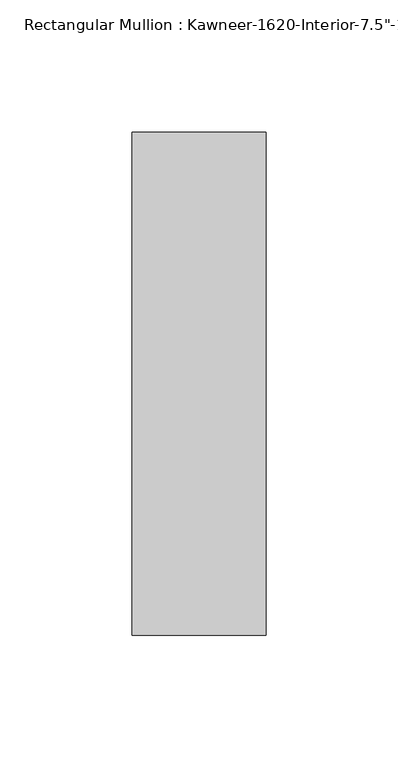
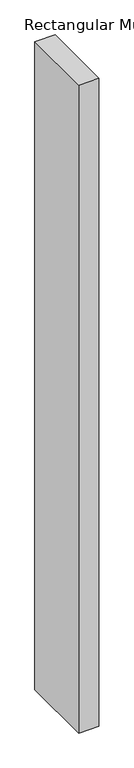
"""IFC4 building model written with IfcOpenShell, lengths in millimetres: member geometry."""

from ifc_helpers import new_model, si_unit, frame, origin, place, context, project, spatial, polyline, outline, extrude, source, transform, mapped, element, save


def member_162befd5(model_context):
    return source(origin(), model_context, "Body", "SweptSolid", [
        extrude(outline(polyline([(25.4, 152.4), (25.4, -38.1), (-25.4, -38.1), (-25.4, 152.4), (25.4, 152.4)])), frame((0.0, 0.0, -1720.85), z_axis=(0.0, 0.0, 1.0), x_axis=(1.0, 0.0, 0.0)), (0.0, 0.0, 1.0), 1720.85),
    ])


if __name__ == "__main__":
    model = new_model("IFC4")
    model_context = context("Model", 3, world=origin())
    ifc_project = project(units=[si_unit("LENGTHUNIT", "METRE", prefix="MILLI")], contexts=[model_context])
    site = spatial("IfcSite", under=ifc_project)
    building = spatial("IfcBuilding", under=site)
    placement = place(None, origin())
    member_shape = member_162befd5(model_context)
    element("IfcMember", 1, ObjectType="Rectangular Mullion : Kawneer-1620-Interior-7.5\"-1\"Infill", at=placement, inside=building, context=model_context, shape_type="MappedRepresentation", body=[
        mapped(member_shape, transform((0.0, 0.0, 0.0), x_axis=(1.0, 0.0, 0.0), y_axis=(0.0, 1.0, 0.0), z_axis=(0.0, 0.0, 1.0))),
    ])
    save(model, "model.ifc")
